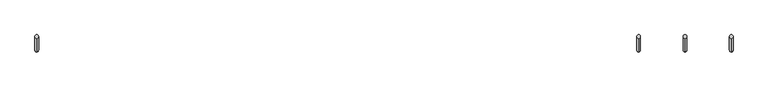
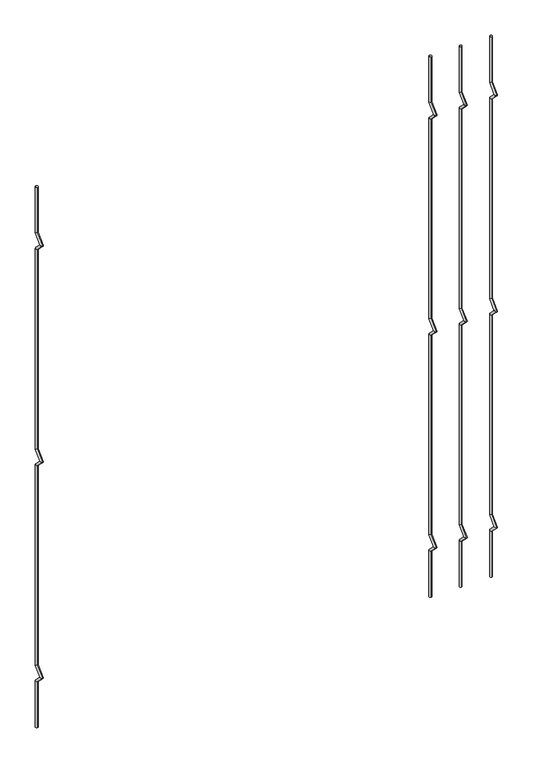
"""IFC4 building model written with IfcOpenShell, lengths in millimetres: railing geometry."""

from ifc_helpers import new_model, si_unit, frame, origin, place, context, project, spatial, circle_curve, ellipse_curve, source, transform, mapped, element, save
from ifc_brep_helpers import plane_surface, cylinder_surface, advanced_brep


def railing_c5dee04b(model_context):
    return source(origin(), model_context, "Body", "AdvancedBrep", [
        advanced_brep(
        [(-17029.4690291, 13589.3554142, 25.4), (-17029.4690291, 13583.0054142, 25.4), (-17029.4690291, 13583.0054142, 154.0342316), (-17029.4690291, 13589.3554142, 156.6644878), (-17029.4690291, 13559.2396458, 177.8), (-17029.4690291, 13568.219902, 177.8), (-17029.4690291, 13583.0054142, 201.5657684), (-17029.4690291, 13589.3554142, 198.9355122), (-17029.4690291, 13583.0054142, 763.6342316), (-17029.4690291, 13589.3554142, 766.2644878), (-17029.4690291, 13559.2396458, 787.4), (-17029.4690291, 13568.219902, 787.4), (-17029.4690291, 13583.0054142, 811.1657684), (-17029.4690291, 13589.3554142, 808.5355122), (-17029.4690291, 13583.0054142, 1373.2342316), (-17029.4690291, 13589.3554142, 1375.8644878), (-17029.4690291, 13559.2396458, 1397.0), (-17029.4690291, 13568.219902, 1397.0), (-17029.4690291, 13583.0054142, 1420.7657684), (-17029.4690291, 13589.3554142, 1418.1355122), (-17029.4690291, 13589.3554142, 1549.4), (-17029.4690291, 13583.0054142, 1549.4)],
        [
            (0, 1, circle_curve(frame((-17029.4690291, 13586.1804142, 25.4), z_axis=(0.0, 0.0, -1.0), x_axis=(0.0, -1.0, 0.0)), 3.175)),
            (1, 0, circle_curve(frame((-17029.4690291, 13586.1804142, 25.4), z_axis=(0.0, 0.0, -1.0), x_axis=(0.0, -1.0, 0.0)), 3.175)),
            (1, 2),
            (2, 3, ellipse_curve(frame((-17029.4690291, 13586.1804142, 155.3493597), z_axis=(0.0, 0.3826834323650955, -0.9238795325112844), x_axis=(0.0, -0.9238795325112845, -0.38268343236509544)), 3.4365952, 3.175)),
            (3, 0),
            (3, 2, ellipse_curve(frame((-17029.4690291, 13586.1804142, 155.3493597), z_axis=(0.0, 0.3826834323650955, -0.9238795325112844), x_axis=(0.0, -0.9238795325112845, -0.38268343236509544)), 3.4365952, 3.175)),
            (2, 4),
            (4, 5, ellipse_curve(frame((-17029.4690291, 13563.7297739, 177.8), z_axis=(0.0, 0.0, -1.0), x_axis=(0.0, 1.0, 0.0)), 4.4901281, 3.175)),
            (5, 3),
            (5, 4, ellipse_curve(frame((-17029.4690291, 13563.7297739, 177.8), z_axis=(0.0, 0.0, -1.0), x_axis=(0.0, 1.0, 0.0)), 4.4901281, 3.175)),
            (4, 6),
            (6, 7, ellipse_curve(frame((-17029.4690291, 13586.1804142, 200.2506403), z_axis=(0.0, -0.3826834323650839, -0.9238795325112892), x_axis=(0.0, -0.9238795325112893, 0.38268343236508373)), 3.4365952, 3.175)),
            (7, 5),
            (7, 6, ellipse_curve(frame((-17029.4690291, 13586.1804142, 200.2506403), z_axis=(0.0, -0.3826834323650839, -0.9238795325112892), x_axis=(0.0, -0.9238795325112893, 0.38268343236508373)), 3.4365952, 3.175)),
            (6, 8),
            (8, 9, ellipse_curve(frame((-17029.4690291, 13586.1804142, 764.9493597), z_axis=(0.0, 0.3826834323651107, -0.9238795325112781), x_axis=(0.0, -0.9238795325112781, -0.3826834323651108)), 3.4365952, 3.175)),
            (9, 7),
            (9, 8, ellipse_curve(frame((-17029.4690291, 13586.1804142, 764.9493597), z_axis=(0.0, 0.3826834323651107, -0.9238795325112781), x_axis=(0.0, -0.9238795325112781, -0.3826834323651108)), 3.4365952, 3.175)),
            (8, 10),
            (10, 11, ellipse_curve(frame((-17029.4690291, 13563.7297739, 787.4), z_axis=(0.0, 0.0, -1.0), x_axis=(0.0, 1.0, 0.0)), 4.4901281, 3.175)),
            (11, 9),
            (11, 10, ellipse_curve(frame((-17029.4690291, 13563.7297739, 787.4), z_axis=(0.0, 0.0, -1.0), x_axis=(0.0, 1.0, 0.0)), 4.4901281, 3.175)),
            (10, 12),
            (12, 13, ellipse_curve(frame((-17029.4690291, 13586.1804142, 809.8506403), z_axis=(0.0, -0.3826834323650702, -0.9238795325112948), x_axis=(0.0, -0.9238795325112948, 0.38268343236507046)), 3.4365952, 3.175)),
            (13, 11),
            (13, 12, ellipse_curve(frame((-17029.4690291, 13586.1804142, 809.8506403), z_axis=(0.0, -0.3826834323650702, -0.9238795325112948), x_axis=(0.0, -0.9238795325112948, 0.38268343236507046)), 3.4365952, 3.175)),
            (12, 14),
            (14, 15, ellipse_curve(frame((-17029.4690291, 13586.1804142, 1374.5493597), z_axis=(0.0, 0.3826834323650811, -0.9238795325112903), x_axis=(0.0, -0.9238795325112901, -0.3826834323650815)), 3.4365952, 3.175)),
            (15, 13),
            (15, 14, ellipse_curve(frame((-17029.4690291, 13586.1804142, 1374.5493597), z_axis=(0.0, 0.3826834323650811, -0.9238795325112903), x_axis=(0.0, -0.9238795325112901, -0.3826834323650815)), 3.4365952, 3.175)),
            (14, 16),
            (16, 17, ellipse_curve(frame((-17029.4690291, 13563.7297739, 1397.0), z_axis=(0.0, 0.0, -1.0), x_axis=(0.0, 1.0, 0.0)), 4.4901281, 3.175)),
            (17, 15),
            (17, 16, ellipse_curve(frame((-17029.4690291, 13563.7297739, 1397.0), z_axis=(0.0, 0.0, -1.0), x_axis=(0.0, 1.0, 0.0)), 4.4901281, 3.175)),
            (16, 18),
            (18, 19, ellipse_curve(frame((-17029.4690291, 13586.1804142, 1419.4506403), z_axis=(0.0, -0.38268343236509844, -0.9238795325112833), x_axis=(0.0, -0.9238795325112827, 0.38268343236509916)), 3.4365952, 3.175)),
            (19, 17),
            (19, 18, ellipse_curve(frame((-17029.4690291, 13586.1804142, 1419.4506403), z_axis=(0.0, -0.38268343236509844, -0.9238795325112833), x_axis=(0.0, -0.9238795325112827, 0.38268343236509916)), 3.4365952, 3.175)),
            (20, 21, circle_curve(frame((-17029.4690291, 13586.1804142, 1549.4), z_axis=(0.0, 0.0, 1.0), x_axis=(0.0, -1.0, 0.0)), 3.175)),
            (21, 20, circle_curve(frame((-17029.4690291, 13586.1804142, 1549.4), z_axis=(0.0, 0.0, 1.0), x_axis=(0.0, -1.0, 0.0)), 3.175)),
            (18, 21),
            (20, 19),
        ],
        [
            plane_surface(frame((-17029.4690291, 13586.1804142, 25.4), z_axis=(0.0, 0.0, -1.0), x_axis=(-1.0, 0.0, 0.0))),
            cylinder_surface(frame((-17029.4690291, 13586.1804142, 25.4), z_axis=(0.0, 0.0, -1.0), x_axis=(0.0, -1.0, 0.0)), 3.175),
            cylinder_surface(frame((-17029.4690291, 13586.1804142, 155.3493597), z_axis=(0.0, 0.7071067811865563, -0.7071067811865388), x_axis=(0.0, -0.7071067811865388, -0.7071067811865563)), 3.175),
            cylinder_surface(frame((-17029.4690291, 13563.7297739, 177.8), z_axis=(0.0, -0.7071067811865385, -0.7071067811865568), x_axis=(0.0, -0.7071067811865568, 0.7071067811865385)), 3.175),
            cylinder_surface(frame((-17029.4690291, 13586.1804142, 200.2506403), z_axis=(0.0, 0.0, -1.0), x_axis=(0.0, -1.0, 0.0)), 3.175),
            cylinder_surface(frame((-17029.4690291, 13586.1804142, 764.9493597), z_axis=(0.0, 0.7071067811865798, -0.7071067811865153), x_axis=(0.0, -0.7071067811865153, -0.7071067811865798)), 3.175),
            cylinder_surface(frame((-17029.4690291, 13563.7297739, 787.4), z_axis=(0.0, -0.7071067811865173, -0.7071067811865779), x_axis=(0.0, -0.7071067811865779, 0.7071067811865173)), 3.175),
            cylinder_surface(frame((-17029.4690291, 13586.1804142, 809.8506403), z_axis=(0.0, 0.0, -1.0), x_axis=(0.0, -1.0, 0.0)), 3.175),
            cylinder_surface(frame((-17029.4690291, 13586.1804142, 1374.5493597), z_axis=(0.0, 0.7071067811865346, -0.7071067811865605), x_axis=(0.0, -0.7071067811865605, -0.7071067811865346)), 3.175),
            cylinder_surface(frame((-17029.4690291, 13563.7297739, 1397.0), z_axis=(0.0, -0.7071067811865608, -0.7071067811865344), x_axis=(0.0, -0.7071067811865344, 0.7071067811865608)), 3.175),
            plane_surface(frame((-17029.4690291, 13586.1804142, 1549.4), z_axis=(0.0, 0.0, 1.0), x_axis=(-1.0, 0.0, 0.0))),
            cylinder_surface(frame((-17029.4690291, 13586.1804142, 1419.4506403), z_axis=(0.0, 0.0, -1.0), x_axis=(0.0, -1.0, 0.0)), 3.175),
        ],
        [
            (0, [[1, 2]]),
            (1, [[3, 4, 5, -2]]),
            (1, [[-5, 6, -3, -1]]),
            (2, [[7, 8, 9, -4]]),
            (2, [[-9, 10, -7, -6]]),
            (3, [[11, 12, 13, -8]]),
            (3, [[-13, 14, -11, -10]]),
            (4, [[15, 16, 17, -12]]),
            (4, [[-17, 18, -15, -14]]),
            (5, [[19, 20, 21, -16]]),
            (5, [[-21, 22, -19, -18]]),
            (6, [[23, 24, 25, -20]]),
            (6, [[-25, 26, -23, -22]]),
            (7, [[27, 28, 29, -24]]),
            (7, [[-29, 30, -27, -26]]),
            (8, [[31, 32, 33, -28]]),
            (8, [[-33, 34, -31, -30]]),
            (9, [[35, 36, 37, -32]]),
            (9, [[-37, 38, -35, -34]]),
            (10, [[39, 40]]),
            (11, [[41, -39, 42, -36]]),
            (11, [[-42, -40, -41, -38]]),
        ],
    ),
        advanced_brep(
        [(-16948.6123624, 13589.3554142, 25.4), (-16948.6123624, 13583.0054142, 25.4), (-16948.6123624, 13583.0054142, 154.0342316), (-16948.6123624, 13589.3554142, 156.6644878), (-16948.6123624, 13559.2396458, 177.8), (-16948.6123624, 13568.219902, 177.8), (-16948.6123624, 13583.0054142, 201.5657684), (-16948.6123624, 13589.3554142, 198.9355122), (-16948.6123624, 13583.0054142, 763.6342316), (-16948.6123624, 13589.3554142, 766.2644878), (-16948.6123624, 13559.2396458, 787.4), (-16948.6123624, 13568.219902, 787.4), (-16948.6123624, 13583.0054142, 811.1657684), (-16948.6123624, 13589.3554142, 808.5355122), (-16948.6123624, 13583.0054142, 1373.2342316), (-16948.6123624, 13589.3554142, 1375.8644878), (-16948.6123624, 13559.2396458, 1397.0), (-16948.6123624, 13568.219902, 1397.0), (-16948.6123624, 13583.0054142, 1420.7657684), (-16948.6123624, 13589.3554142, 1418.1355122), (-16948.6123624, 13589.3554142, 1549.4), (-16948.6123624, 13583.0054142, 1549.4)],
        [
            (0, 1, circle_curve(frame((-16948.6123624, 13586.1804142, 25.4), z_axis=(0.0, 0.0, -1.0), x_axis=(0.0, -1.0, 0.0)), 3.175)),
            (1, 0, circle_curve(frame((-16948.6123624, 13586.1804142, 25.4), z_axis=(0.0, 0.0, -1.0), x_axis=(0.0, -1.0, 0.0)), 3.175)),
            (1, 2),
            (2, 3, ellipse_curve(frame((-16948.6123624, 13586.1804142, 155.3493597), z_axis=(0.0, 0.3826834323650955, -0.9238795325112844), x_axis=(0.0, -0.9238795325112845, -0.38268343236509544)), 3.4365952, 3.175)),
            (3, 0),
            (3, 2, ellipse_curve(frame((-16948.6123624, 13586.1804142, 155.3493597), z_axis=(0.0, 0.3826834323650955, -0.9238795325112844), x_axis=(0.0, -0.9238795325112845, -0.38268343236509544)), 3.4365952, 3.175)),
            (2, 4),
            (4, 5, ellipse_curve(frame((-16948.6123624, 13563.7297739, 177.8), z_axis=(0.0, 0.0, -1.0), x_axis=(0.0, 1.0, 0.0)), 4.4901281, 3.175)),
            (5, 3),
            (5, 4, ellipse_curve(frame((-16948.6123624, 13563.7297739, 177.8), z_axis=(0.0, 0.0, -1.0), x_axis=(0.0, 1.0, 0.0)), 4.4901281, 3.175)),
            (4, 6),
            (6, 7, ellipse_curve(frame((-16948.6123624, 13586.1804142, 200.2506403), z_axis=(0.0, -0.3826834323650839, -0.9238795325112892), x_axis=(0.0, -0.9238795325112893, 0.38268343236508373)), 3.4365952, 3.175)),
            (7, 5),
            (7, 6, ellipse_curve(frame((-16948.6123624, 13586.1804142, 200.2506403), z_axis=(0.0, -0.3826834323650839, -0.9238795325112892), x_axis=(0.0, -0.9238795325112893, 0.38268343236508373)), 3.4365952, 3.175)),
            (6, 8),
            (8, 9, ellipse_curve(frame((-16948.6123624, 13586.1804142, 764.9493597), z_axis=(0.0, 0.3826834323651107, -0.9238795325112781), x_axis=(0.0, -0.9238795325112781, -0.3826834323651108)), 3.4365952, 3.175)),
            (9, 7),
            (9, 8, ellipse_curve(frame((-16948.6123624, 13586.1804142, 764.9493597), z_axis=(0.0, 0.3826834323651107, -0.9238795325112781), x_axis=(0.0, -0.9238795325112781, -0.3826834323651108)), 3.4365952, 3.175)),
            (8, 10),
            (10, 11, ellipse_curve(frame((-16948.6123624, 13563.7297739, 787.4), z_axis=(0.0, 0.0, -1.0), x_axis=(0.0, 1.0, 0.0)), 4.4901281, 3.175)),
            (11, 9),
            (11, 10, ellipse_curve(frame((-16948.6123624, 13563.7297739, 787.4), z_axis=(0.0, 0.0, -1.0), x_axis=(0.0, 1.0, 0.0)), 4.4901281, 3.175)),
            (10, 12),
            (12, 13, ellipse_curve(frame((-16948.6123624, 13586.1804142, 809.8506403), z_axis=(0.0, -0.3826834323650702, -0.9238795325112948), x_axis=(0.0, -0.9238795325112948, 0.38268343236507046)), 3.4365952, 3.175)),
            (13, 11),
            (13, 12, ellipse_curve(frame((-16948.6123624, 13586.1804142, 809.8506403), z_axis=(0.0, -0.3826834323650702, -0.9238795325112948), x_axis=(0.0, -0.9238795325112948, 0.38268343236507046)), 3.4365952, 3.175)),
            (12, 14),
            (14, 15, ellipse_curve(frame((-16948.6123624, 13586.1804142, 1374.5493597), z_axis=(0.0, 0.3826834323650811, -0.9238795325112903), x_axis=(0.0, -0.9238795325112901, -0.3826834323650815)), 3.4365952, 3.175)),
            (15, 13),
            (15, 14, ellipse_curve(frame((-16948.6123624, 13586.1804142, 1374.5493597), z_axis=(0.0, 0.3826834323650811, -0.9238795325112903), x_axis=(0.0, -0.9238795325112901, -0.3826834323650815)), 3.4365952, 3.175)),
            (14, 16),
            (16, 17, ellipse_curve(frame((-16948.6123624, 13563.7297739, 1397.0), z_axis=(0.0, 0.0, -1.0), x_axis=(0.0, 1.0, 0.0)), 4.4901281, 3.175)),
            (17, 15),
            (17, 16, ellipse_curve(frame((-16948.6123624, 13563.7297739, 1397.0), z_axis=(0.0, 0.0, -1.0), x_axis=(0.0, 1.0, 0.0)), 4.4901281, 3.175)),
            (16, 18),
            (18, 19, ellipse_curve(frame((-16948.6123624, 13586.1804142, 1419.4506403), z_axis=(0.0, -0.38268343236509844, -0.9238795325112833), x_axis=(0.0, -0.9238795325112827, 0.38268343236509916)), 3.4365952, 3.175)),
            (19, 17),
            (19, 18, ellipse_curve(frame((-16948.6123624, 13586.1804142, 1419.4506403), z_axis=(0.0, -0.38268343236509844, -0.9238795325112833), x_axis=(0.0, -0.9238795325112827, 0.38268343236509916)), 3.4365952, 3.175)),
            (20, 21, circle_curve(frame((-16948.6123624, 13586.1804142, 1549.4), z_axis=(0.0, 0.0, 1.0), x_axis=(0.0, -1.0, 0.0)), 3.175)),
            (21, 20, circle_curve(frame((-16948.6123624, 13586.1804142, 1549.4), z_axis=(0.0, 0.0, 1.0), x_axis=(0.0, -1.0, 0.0)), 3.175)),
            (18, 21),
            (20, 19),
        ],
        [
            plane_surface(frame((-16948.6123624, 13586.1804142, 25.4), z_axis=(0.0, 0.0, -1.0), x_axis=(-1.0, 0.0, 0.0))),
            cylinder_surface(frame((-16948.6123624, 13586.1804142, 25.4), z_axis=(0.0, 0.0, -1.0), x_axis=(0.0, -1.0, 0.0)), 3.175),
            cylinder_surface(frame((-16948.6123624, 13586.1804142, 155.3493597), z_axis=(0.0, 0.7071067811865563, -0.7071067811865388), x_axis=(0.0, -0.7071067811865388, -0.7071067811865563)), 3.175),
            cylinder_surface(frame((-16948.6123624, 13563.7297739, 177.8), z_axis=(0.0, -0.7071067811865385, -0.7071067811865568), x_axis=(0.0, -0.7071067811865568, 0.7071067811865385)), 3.175),
            cylinder_surface(frame((-16948.6123624, 13586.1804142, 200.2506403), z_axis=(0.0, 0.0, -1.0), x_axis=(0.0, -1.0, 0.0)), 3.175),
            cylinder_surface(frame((-16948.6123624, 13586.1804142, 764.9493597), z_axis=(0.0, 0.7071067811865798, -0.7071067811865153), x_axis=(0.0, -0.7071067811865153, -0.7071067811865798)), 3.175),
            cylinder_surface(frame((-16948.6123624, 13563.7297739, 787.4), z_axis=(0.0, -0.7071067811865173, -0.7071067811865779), x_axis=(0.0, -0.7071067811865779, 0.7071067811865173)), 3.175),
            cylinder_surface(frame((-16948.6123624, 13586.1804142, 809.8506403), z_axis=(0.0, 0.0, -1.0), x_axis=(0.0, -1.0, 0.0)), 3.175),
            cylinder_surface(frame((-16948.6123624, 13586.1804142, 1374.5493597), z_axis=(0.0, 0.7071067811865346, -0.7071067811865605), x_axis=(0.0, -0.7071067811865605, -0.7071067811865346)), 3.175),
            cylinder_surface(frame((-16948.6123624, 13563.7297739, 1397.0), z_axis=(0.0, -0.7071067811865608, -0.7071067811865344), x_axis=(0.0, -0.7071067811865344, 0.7071067811865608)), 3.175),
            plane_surface(frame((-16948.6123624, 13586.1804142, 1549.4), z_axis=(0.0, 0.0, 1.0), x_axis=(-1.0, 0.0, 0.0))),
            cylinder_surface(frame((-16948.6123624, 13586.1804142, 1419.4506403), z_axis=(0.0, 0.0, -1.0), x_axis=(0.0, -1.0, 0.0)), 3.175),
        ],
        [
            (0, [[1, 2]]),
            (1, [[3, 4, 5, -2]]),
            (1, [[-5, 6, -3, -1]]),
            (2, [[7, 8, 9, -4]]),
            (2, [[-9, 10, -7, -6]]),
            (3, [[11, 12, 13, -8]]),
            (3, [[-13, 14, -11, -10]]),
            (4, [[15, 16, 17, -12]]),
            (4, [[-17, 18, -15, -14]]),
            (5, [[19, 20, 21, -16]]),
            (5, [[-21, 22, -19, -18]]),
            (6, [[23, 24, 25, -20]]),
            (6, [[-25, 26, -23, -22]]),
            (7, [[27, 28, 29, -24]]),
            (7, [[-29, 30, -27, -26]]),
            (8, [[31, 32, 33, -28]]),
            (8, [[-33, 34, -31, -30]]),
            (9, [[35, 36, 37, -32]]),
            (9, [[-37, 38, -35, -34]]),
            (10, [[39, 40]]),
            (11, [[41, -39, 42, -36]]),
            (11, [[-42, -40, -41, -38]]),
        ],
    ),
        advanced_brep(
        [(-18080.6056958, 13589.3554142, 25.4), (-18080.6056958, 13583.0054142, 25.4), (-18080.6056958, 13583.0054142, 154.0342316), (-18080.6056958, 13589.3554142, 156.6644878), (-18080.6056958, 13559.2396458, 177.8), (-18080.6056958, 13568.219902, 177.8), (-18080.6056958, 13583.0054142, 201.5657684), (-18080.6056958, 13589.3554142, 198.9355122), (-18080.6056958, 13583.0054142, 763.6342316), (-18080.6056958, 13589.3554142, 766.2644878), (-18080.6056958, 13559.2396458, 787.4), (-18080.6056958, 13568.219902, 787.4), (-18080.6056958, 13583.0054142, 811.1657684), (-18080.6056958, 13589.3554142, 808.5355122), (-18080.6056958, 13583.0054142, 1373.2342316), (-18080.6056958, 13589.3554142, 1375.8644878), (-18080.6056958, 13559.2396458, 1397.0), (-18080.6056958, 13568.219902, 1397.0), (-18080.6056958, 13583.0054142, 1420.7657684), (-18080.6056958, 13589.3554142, 1418.1355122), (-18080.6056958, 13589.3554142, 1549.4), (-18080.6056958, 13583.0054142, 1549.4)],
        [
            (0, 1, circle_curve(frame((-18080.6056958, 13586.1804142, 25.4), z_axis=(0.0, 0.0, -1.0), x_axis=(0.0, -1.0, 0.0)), 3.175)),
            (1, 0, circle_curve(frame((-18080.6056958, 13586.1804142, 25.4), z_axis=(0.0, 0.0, -1.0), x_axis=(0.0, -1.0, 0.0)), 3.175)),
            (1, 2),
            (2, 3, ellipse_curve(frame((-18080.6056958, 13586.1804142, 155.3493597), z_axis=(0.0, 0.3826834323650955, -0.9238795325112844), x_axis=(0.0, -0.9238795325112845, -0.38268343236509544)), 3.4365952, 3.175)),
            (3, 0),
            (3, 2, ellipse_curve(frame((-18080.6056958, 13586.1804142, 155.3493597), z_axis=(0.0, 0.3826834323650955, -0.9238795325112844), x_axis=(0.0, -0.9238795325112845, -0.38268343236509544)), 3.4365952, 3.175)),
            (2, 4),
            (4, 5, ellipse_curve(frame((-18080.6056958, 13563.7297739, 177.8), z_axis=(0.0, 0.0, -1.0), x_axis=(0.0, 1.0, 0.0)), 4.4901281, 3.175)),
            (5, 3),
            (5, 4, ellipse_curve(frame((-18080.6056958, 13563.7297739, 177.8), z_axis=(0.0, 0.0, -1.0), x_axis=(0.0, 1.0, 0.0)), 4.4901281, 3.175)),
            (4, 6),
            (6, 7, ellipse_curve(frame((-18080.6056958, 13586.1804142, 200.2506403), z_axis=(0.0, -0.3826834323650839, -0.9238795325112892), x_axis=(0.0, -0.9238795325112893, 0.38268343236508373)), 3.4365952, 3.175)),
            (7, 5),
            (7, 6, ellipse_curve(frame((-18080.6056958, 13586.1804142, 200.2506403), z_axis=(0.0, -0.3826834323650839, -0.9238795325112892), x_axis=(0.0, -0.9238795325112893, 0.38268343236508373)), 3.4365952, 3.175)),
            (6, 8),
            (8, 9, ellipse_curve(frame((-18080.6056958, 13586.1804142, 764.9493597), z_axis=(0.0, 0.3826834323651107, -0.9238795325112781), x_axis=(0.0, -0.9238795325112781, -0.3826834323651108)), 3.4365952, 3.175)),
            (9, 7),
            (9, 8, ellipse_curve(frame((-18080.6056958, 13586.1804142, 764.9493597), z_axis=(0.0, 0.3826834323651107, -0.9238795325112781), x_axis=(0.0, -0.9238795325112781, -0.3826834323651108)), 3.4365952, 3.175)),
            (8, 10),
            (10, 11, ellipse_curve(frame((-18080.6056958, 13563.7297739, 787.4), z_axis=(0.0, 0.0, -1.0), x_axis=(0.0, 1.0, 0.0)), 4.4901281, 3.175)),
            (11, 9),
            (11, 10, ellipse_curve(frame((-18080.6056958, 13563.7297739, 787.4), z_axis=(0.0, 0.0, -1.0), x_axis=(0.0, 1.0, 0.0)), 4.4901281, 3.175)),
            (10, 12),
            (12, 13, ellipse_curve(frame((-18080.6056958, 13586.1804142, 809.8506403), z_axis=(0.0, -0.3826834323650702, -0.9238795325112948), x_axis=(0.0, -0.9238795325112948, 0.38268343236507046)), 3.4365952, 3.175)),
            (13, 11),
            (13, 12, ellipse_curve(frame((-18080.6056958, 13586.1804142, 809.8506403), z_axis=(0.0, -0.3826834323650702, -0.9238795325112948), x_axis=(0.0, -0.9238795325112948, 0.38268343236507046)), 3.4365952, 3.175)),
            (12, 14),
            (14, 15, ellipse_curve(frame((-18080.6056958, 13586.1804142, 1374.5493597), z_axis=(0.0, 0.3826834323650811, -0.9238795325112903), x_axis=(0.0, -0.9238795325112901, -0.3826834323650815)), 3.4365952, 3.175)),
            (15, 13),
            (15, 14, ellipse_curve(frame((-18080.6056958, 13586.1804142, 1374.5493597), z_axis=(0.0, 0.3826834323650811, -0.9238795325112903), x_axis=(0.0, -0.9238795325112901, -0.3826834323650815)), 3.4365952, 3.175)),
            (14, 16),
            (16, 17, ellipse_curve(frame((-18080.6056958, 13563.7297739, 1397.0), z_axis=(0.0, 0.0, -1.0), x_axis=(0.0, 1.0, 0.0)), 4.4901281, 3.175)),
            (17, 15),
            (17, 16, ellipse_curve(frame((-18080.6056958, 13563.7297739, 1397.0), z_axis=(0.0, 0.0, -1.0), x_axis=(0.0, 1.0, 0.0)), 4.4901281, 3.175)),
            (16, 18),
            (18, 19, ellipse_curve(frame((-18080.6056958, 13586.1804142, 1419.4506403), z_axis=(0.0, -0.38268343236509844, -0.9238795325112833), x_axis=(0.0, -0.9238795325112827, 0.38268343236509916)), 3.4365952, 3.175)),
            (19, 17),
            (19, 18, ellipse_curve(frame((-18080.6056958, 13586.1804142, 1419.4506403), z_axis=(0.0, -0.38268343236509844, -0.9238795325112833), x_axis=(0.0, -0.9238795325112827, 0.38268343236509916)), 3.4365952, 3.175)),
            (20, 21, circle_curve(frame((-18080.6056958, 13586.1804142, 1549.4), z_axis=(0.0, 0.0, 1.0), x_axis=(0.0, -1.0, 0.0)), 3.175)),
            (21, 20, circle_curve(frame((-18080.6056958, 13586.1804142, 1549.4), z_axis=(0.0, 0.0, 1.0), x_axis=(0.0, -1.0, 0.0)), 3.175)),
            (18, 21),
            (20, 19),
        ],
        [
            plane_surface(frame((-18080.6056958, 13586.1804142, 25.4), z_axis=(0.0, 0.0, -1.0), x_axis=(-1.0, 0.0, 0.0))),
            cylinder_surface(frame((-18080.6056958, 13586.1804142, 25.4), z_axis=(0.0, 0.0, -1.0), x_axis=(0.0, -1.0, 0.0)), 3.175),
            cylinder_surface(frame((-18080.6056958, 13586.1804142, 155.3493597), z_axis=(0.0, 0.7071067811865563, -0.7071067811865388), x_axis=(0.0, -0.7071067811865388, -0.7071067811865563)), 3.175),
            cylinder_surface(frame((-18080.6056958, 13563.7297739, 177.8), z_axis=(0.0, -0.7071067811865385, -0.7071067811865568), x_axis=(0.0, -0.7071067811865568, 0.7071067811865385)), 3.175),
            cylinder_surface(frame((-18080.6056958, 13586.1804142, 200.2506403), z_axis=(0.0, 0.0, -1.0), x_axis=(0.0, -1.0, 0.0)), 3.175),
            cylinder_surface(frame((-18080.6056958, 13586.1804142, 764.9493597), z_axis=(0.0, 0.7071067811865798, -0.7071067811865153), x_axis=(0.0, -0.7071067811865153, -0.7071067811865798)), 3.175),
            cylinder_surface(frame((-18080.6056958, 13563.7297739, 787.4), z_axis=(0.0, -0.7071067811865173, -0.7071067811865779), x_axis=(0.0, -0.7071067811865779, 0.7071067811865173)), 3.175),
            cylinder_surface(frame((-18080.6056958, 13586.1804142, 809.8506403), z_axis=(0.0, 0.0, -1.0), x_axis=(0.0, -1.0, 0.0)), 3.175),
            cylinder_surface(frame((-18080.6056958, 13586.1804142, 1374.5493597), z_axis=(0.0, 0.7071067811865346, -0.7071067811865605), x_axis=(0.0, -0.7071067811865605, -0.7071067811865346)), 3.175),
            cylinder_surface(frame((-18080.6056958, 13563.7297739, 1397.0), z_axis=(0.0, -0.7071067811865608, -0.7071067811865344), x_axis=(0.0, -0.7071067811865344, 0.7071067811865608)), 3.175),
            plane_surface(frame((-18080.6056958, 13586.1804142, 1549.4), z_axis=(0.0, 0.0, 1.0), x_axis=(-1.0, 0.0, 0.0))),
            cylinder_surface(frame((-18080.6056958, 13586.1804142, 1419.4506403), z_axis=(0.0, 0.0, -1.0), x_axis=(0.0, -1.0, 0.0)), 3.175),
        ],
        [
            (0, [[1, 2]]),
            (1, [[3, 4, 5, -2]]),
            (1, [[-5, 6, -3, -1]]),
            (2, [[7, 8, 9, -4]]),
            (2, [[-9, 10, -7, -6]]),
            (3, [[11, 12, 13, -8]]),
            (3, [[-13, 14, -11, -10]]),
            (4, [[15, 16, 17, -12]]),
            (4, [[-17, 18, -15, -14]]),
            (5, [[19, 20, 21, -16]]),
            (5, [[-21, 22, -19, -18]]),
            (6, [[23, 24, 25, -20]]),
            (6, [[-25, 26, -23, -22]]),
            (7, [[27, 28, 29, -24]]),
            (7, [[-29, 30, -27, -26]]),
            (8, [[31, 32, 33, -28]]),
            (8, [[-33, 34, -31, -30]]),
            (9, [[35, 36, 37, -32]]),
            (9, [[-37, 38, -35, -34]]),
            (10, [[39, 40]]),
            (11, [[41, -39, 42, -36]]),
            (11, [[-42, -40, -41, -38]]),
        ],
    ),
        advanced_brep(
        [(-16867.7556958, 13589.3554142, 25.4), (-16867.7556958, 13583.0054142, 25.4), (-16867.7556958, 13583.0054142, 154.0342316), (-16867.7556958, 13589.3554142, 156.6644878), (-16867.7556958, 13559.2396458, 177.8), (-16867.7556958, 13568.219902, 177.8), (-16867.7556958, 13583.0054142, 201.5657684), (-16867.7556958, 13589.3554142, 198.9355122), (-16867.7556958, 13583.0054142, 763.6342316), (-16867.7556958, 13589.3554142, 766.2644878), (-16867.7556958, 13559.2396458, 787.4), (-16867.7556958, 13568.219902, 787.4), (-16867.7556958, 13583.0054142, 811.1657684), (-16867.7556958, 13589.3554142, 808.5355122), (-16867.7556958, 13583.0054142, 1373.2342316), (-16867.7556958, 13589.3554142, 1375.8644878), (-16867.7556958, 13559.2396458, 1397.0), (-16867.7556958, 13568.219902, 1397.0), (-16867.7556958, 13583.0054142, 1420.7657684), (-16867.7556958, 13589.3554142, 1418.1355122), (-16867.7556958, 13589.3554142, 1549.4), (-16867.7556958, 13583.0054142, 1549.4)],
        [
            (0, 1, circle_curve(frame((-16867.7556958, 13586.1804142, 25.4), z_axis=(0.0, 0.0, -1.0), x_axis=(0.0, -1.0, 0.0)), 3.175)),
            (1, 0, circle_curve(frame((-16867.7556958, 13586.1804142, 25.4), z_axis=(0.0, 0.0, -1.0), x_axis=(0.0, -1.0, 0.0)), 3.175)),
            (1, 2),
            (2, 3, ellipse_curve(frame((-16867.7556958, 13586.1804142, 155.3493597), z_axis=(0.0, 0.3826834323650955, -0.9238795325112844), x_axis=(0.0, -0.9238795325112845, -0.38268343236509544)), 3.4365952, 3.175)),
            (3, 0),
            (3, 2, ellipse_curve(frame((-16867.7556958, 13586.1804142, 155.3493597), z_axis=(0.0, 0.3826834323650955, -0.9238795325112844), x_axis=(0.0, -0.9238795325112845, -0.38268343236509544)), 3.4365952, 3.175)),
            (2, 4),
            (4, 5, ellipse_curve(frame((-16867.7556958, 13563.7297739, 177.8), z_axis=(0.0, 0.0, -1.0), x_axis=(0.0, 1.0, 0.0)), 4.4901281, 3.175)),
            (5, 3),
            (5, 4, ellipse_curve(frame((-16867.7556958, 13563.7297739, 177.8), z_axis=(0.0, 0.0, -1.0), x_axis=(0.0, 1.0, 0.0)), 4.4901281, 3.175)),
            (4, 6),
            (6, 7, ellipse_curve(frame((-16867.7556958, 13586.1804142, 200.2506403), z_axis=(0.0, -0.3826834323650839, -0.9238795325112892), x_axis=(0.0, -0.9238795325112893, 0.38268343236508373)), 3.4365952, 3.175)),
            (7, 5),
            (7, 6, ellipse_curve(frame((-16867.7556958, 13586.1804142, 200.2506403), z_axis=(0.0, -0.3826834323650839, -0.9238795325112892), x_axis=(0.0, -0.9238795325112893, 0.38268343236508373)), 3.4365952, 3.175)),
            (6, 8),
            (8, 9, ellipse_curve(frame((-16867.7556958, 13586.1804142, 764.9493597), z_axis=(0.0, 0.3826834323651107, -0.9238795325112781), x_axis=(0.0, -0.9238795325112781, -0.3826834323651108)), 3.4365952, 3.175)),
            (9, 7),
            (9, 8, ellipse_curve(frame((-16867.7556958, 13586.1804142, 764.9493597), z_axis=(0.0, 0.3826834323651107, -0.9238795325112781), x_axis=(0.0, -0.9238795325112781, -0.3826834323651108)), 3.4365952, 3.175)),
            (8, 10),
            (10, 11, ellipse_curve(frame((-16867.7556958, 13563.7297739, 787.4), z_axis=(0.0, 0.0, -1.0), x_axis=(0.0, 1.0, 0.0)), 4.4901281, 3.175)),
            (11, 9),
            (11, 10, ellipse_curve(frame((-16867.7556958, 13563.7297739, 787.4), z_axis=(0.0, 0.0, -1.0), x_axis=(0.0, 1.0, 0.0)), 4.4901281, 3.175)),
            (10, 12),
            (12, 13, ellipse_curve(frame((-16867.7556958, 13586.1804142, 809.8506403), z_axis=(0.0, -0.3826834323650702, -0.9238795325112948), x_axis=(0.0, -0.9238795325112948, 0.38268343236507046)), 3.4365952, 3.175)),
            (13, 11),
            (13, 12, ellipse_curve(frame((-16867.7556958, 13586.1804142, 809.8506403), z_axis=(0.0, -0.3826834323650702, -0.9238795325112948), x_axis=(0.0, -0.9238795325112948, 0.38268343236507046)), 3.4365952, 3.175)),
            (12, 14),
            (14, 15, ellipse_curve(frame((-16867.7556958, 13586.1804142, 1374.5493597), z_axis=(0.0, 0.3826834323650811, -0.9238795325112903), x_axis=(0.0, -0.9238795325112901, -0.3826834323650815)), 3.4365952, 3.175)),
            (15, 13),
            (15, 14, ellipse_curve(frame((-16867.7556958, 13586.1804142, 1374.5493597), z_axis=(0.0, 0.3826834323650811, -0.9238795325112903), x_axis=(0.0, -0.9238795325112901, -0.3826834323650815)), 3.4365952, 3.175)),
            (14, 16),
            (16, 17, ellipse_curve(frame((-16867.7556958, 13563.7297739, 1397.0), z_axis=(0.0, 0.0, -1.0), x_axis=(0.0, 1.0, 0.0)), 4.4901281, 3.175)),
            (17, 15),
            (17, 16, ellipse_curve(frame((-16867.7556958, 13563.7297739, 1397.0), z_axis=(0.0, 0.0, -1.0), x_axis=(0.0, 1.0, 0.0)), 4.4901281, 3.175)),
            (16, 18),
            (18, 19, ellipse_curve(frame((-16867.7556958, 13586.1804142, 1419.4506403), z_axis=(0.0, -0.38268343236509844, -0.9238795325112833), x_axis=(0.0, -0.9238795325112827, 0.38268343236509916)), 3.4365952, 3.175)),
            (19, 17),
            (19, 18, ellipse_curve(frame((-16867.7556958, 13586.1804142, 1419.4506403), z_axis=(0.0, -0.38268343236509844, -0.9238795325112833), x_axis=(0.0, -0.9238795325112827, 0.38268343236509916)), 3.4365952, 3.175)),
            (20, 21, circle_curve(frame((-16867.7556958, 13586.1804142, 1549.4), z_axis=(0.0, 0.0, 1.0), x_axis=(0.0, -1.0, 0.0)), 3.175)),
            (21, 20, circle_curve(frame((-16867.7556958, 13586.1804142, 1549.4), z_axis=(0.0, 0.0, 1.0), x_axis=(0.0, -1.0, 0.0)), 3.175)),
            (18, 21),
            (20, 19),
        ],
        [
            plane_surface(frame((-16867.7556958, 13586.1804142, 25.4), z_axis=(0.0, 0.0, -1.0), x_axis=(-1.0, 0.0, 0.0))),
            cylinder_surface(frame((-16867.7556958, 13586.1804142, 25.4), z_axis=(0.0, 0.0, -1.0), x_axis=(0.0, -1.0, 0.0)), 3.175),
            cylinder_surface(frame((-16867.7556958, 13586.1804142, 155.3493597), z_axis=(0.0, 0.7071067811865563, -0.7071067811865388), x_axis=(0.0, -0.7071067811865388, -0.7071067811865563)), 3.175),
            cylinder_surface(frame((-16867.7556958, 13563.7297739, 177.8), z_axis=(0.0, -0.7071067811865385, -0.7071067811865568), x_axis=(0.0, -0.7071067811865568, 0.7071067811865385)), 3.175),
            cylinder_surface(frame((-16867.7556958, 13586.1804142, 200.2506403), z_axis=(0.0, 0.0, -1.0), x_axis=(0.0, -1.0, 0.0)), 3.175),
            cylinder_surface(frame((-16867.7556958, 13586.1804142, 764.9493597), z_axis=(0.0, 0.7071067811865798, -0.7071067811865153), x_axis=(0.0, -0.7071067811865153, -0.7071067811865798)), 3.175),
            cylinder_surface(frame((-16867.7556958, 13563.7297739, 787.4), z_axis=(0.0, -0.7071067811865173, -0.7071067811865779), x_axis=(0.0, -0.7071067811865779, 0.7071067811865173)), 3.175),
            cylinder_surface(frame((-16867.7556958, 13586.1804142, 809.8506403), z_axis=(0.0, 0.0, -1.0), x_axis=(0.0, -1.0, 0.0)), 3.175),
            cylinder_surface(frame((-16867.7556958, 13586.1804142, 1374.5493597), z_axis=(0.0, 0.7071067811865346, -0.7071067811865605), x_axis=(0.0, -0.7071067811865605, -0.7071067811865346)), 3.175),
            cylinder_surface(frame((-16867.7556958, 13563.7297739, 1397.0), z_axis=(0.0, -0.7071067811865608, -0.7071067811865344), x_axis=(0.0, -0.7071067811865344, 0.7071067811865608)), 3.175),
            plane_surface(frame((-16867.7556958, 13586.1804142, 1549.4), z_axis=(0.0, 0.0, 1.0), x_axis=(-1.0, 0.0, 0.0))),
            cylinder_surface(frame((-16867.7556958, 13586.1804142, 1419.4506403), z_axis=(0.0, 0.0, -1.0), x_axis=(0.0, -1.0, 0.0)), 3.175),
        ],
        [
            (0, [[1, 2]]),
            (1, [[3, 4, 5, -2]]),
            (1, [[-5, 6, -3, -1]]),
            (2, [[7, 8, 9, -4]]),
            (2, [[-9, 10, -7, -6]]),
            (3, [[11, 12, 13, -8]]),
            (3, [[-13, 14, -11, -10]]),
            (4, [[15, 16, 17, -12]]),
            (4, [[-17, 18, -15, -14]]),
            (5, [[19, 20, 21, -16]]),
            (5, [[-21, 22, -19, -18]]),
            (6, [[23, 24, 25, -20]]),
            (6, [[-25, 26, -23, -22]]),
            (7, [[27, 28, 29, -24]]),
            (7, [[-29, 30, -27, -26]]),
            (8, [[31, 32, 33, -28]]),
            (8, [[-33, 34, -31, -30]]),
            (9, [[35, 36, 37, -32]]),
            (9, [[-37, 38, -35, -34]]),
            (10, [[39, 40]]),
            (11, [[41, -39, 42, -36]]),
            (11, [[-42, -40, -41, -38]]),
        ],
    ),
    ])


if __name__ == "__main__":
    model = new_model("IFC4")
    model_context = context("Model", 3, world=origin())
    ifc_project = project(units=[si_unit("LENGTHUNIT", "METRE", prefix="MILLI")], contexts=[model_context])
    site = spatial("IfcSite", under=ifc_project)
    building = spatial("IfcBuilding", under=site)
    placement = place(None, origin())
    railing_shape = railing_c5dee04b(model_context)
    element("IfcRailing", 1, at=placement, inside=building, context=model_context, shape_type="MappedRepresentation", body=[
        mapped(railing_shape, transform((0.0, 0.0, 0.0), x_axis=(1.0, 0.0, 0.0), y_axis=(0.0, 1.0, 0.0), z_axis=(0.0, 0.0, 1.0))),
    ])
    save(model, "model.ifc")
